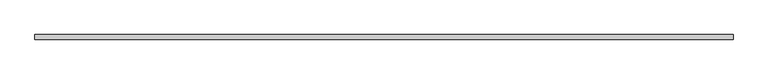
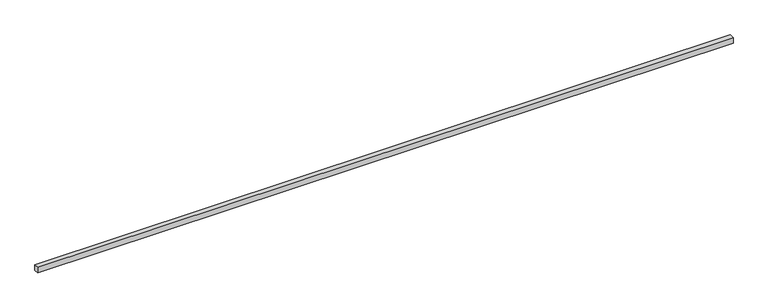
"""IFC4 building model written with IfcOpenShell, lengths in millimetres: proxy geometry."""

from ifc_helpers import new_model, si_unit, frame, origin, place, context, project, spatial, polyline, outline, extrude, source, transform, mapped, element, save


def generic_models_f053924f(model_context):
    return source(origin(), model_context, "Body", "SweptSolid", [
        extrude(outline(polyline([(40.0, 0.0), (-40.0, 0.0), (-40.0, 12065.0), (40.0, 12065.0), (40.0, 0.0)])), frame((12065.0, 0.0, 0.0), z_axis=(0.0, -1.9783474858313244e-12, 1.0), x_axis=(0.0, 1.0, 1.9783474858313244e-12)), (0.0, 0.0, 1.0), 100.0),
    ])


if __name__ == "__main__":
    model = new_model("IFC4")
    model_context = context("Model", 3, world=origin())
    ifc_project = project(units=[si_unit("LENGTHUNIT", "METRE", prefix="MILLI")], contexts=[model_context])
    site = spatial("IfcSite", under=ifc_project)
    building = spatial("IfcBuilding", under=site)
    placement = place(None, origin())
    generic_models_shape = generic_models_f053924f(model_context)
    element("IfcBuildingElementProxy", 1, Name="Generic Models", at=placement, inside=building, context=model_context, shape_type="MappedRepresentation", body=[
        mapped(generic_models_shape, transform((0.0, 0.0, 0.0), x_axis=(1.0, 0.0, 0.0), y_axis=(0.0, 1.0, 0.0), z_axis=(0.0, 0.0, 1.0))),
    ])
    save(model, "model.ifc")
